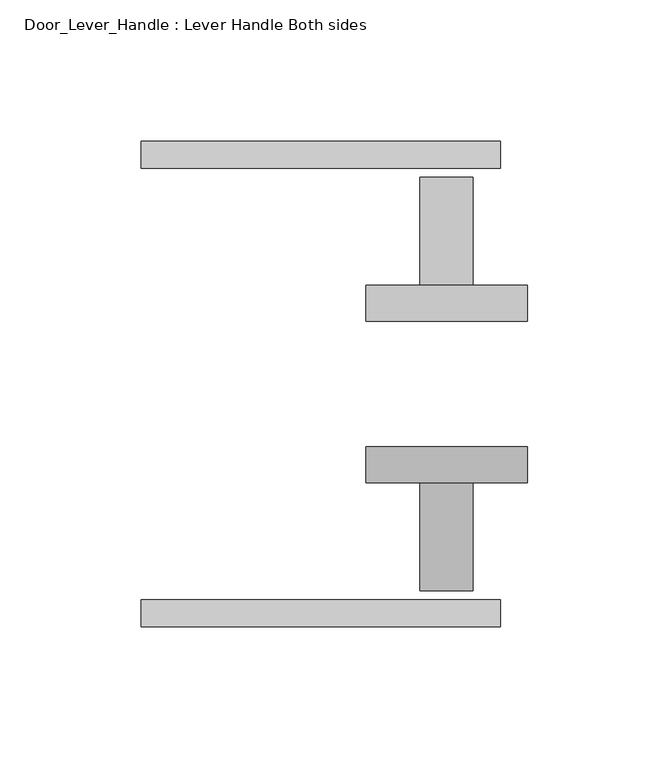
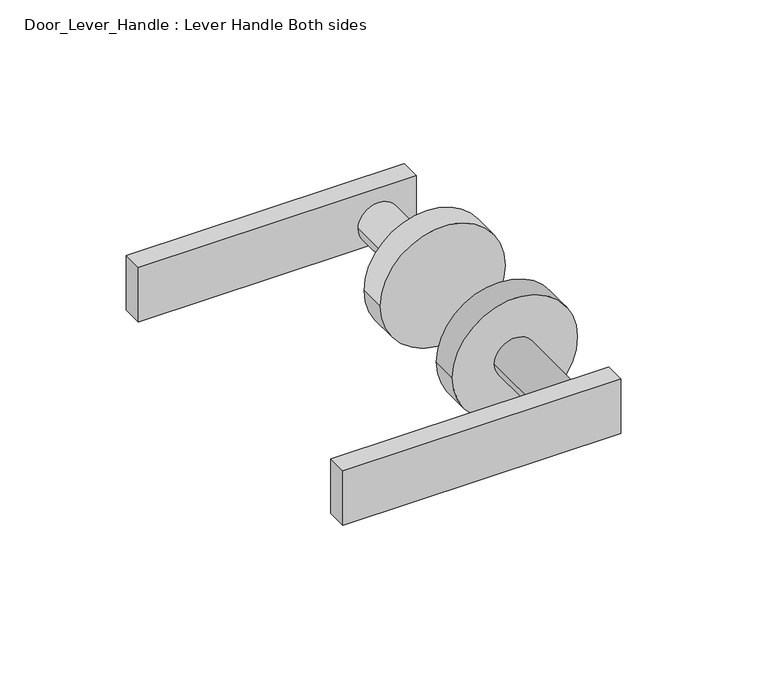
"""IFC4 building model written with IfcOpenShell, lengths in millimetres: proxy geometry, Door_Lever_Handle : Lever Handle Both sides."""

from ifc_helpers import new_model, si_unit, point, frame, frame_2d, origin, place, context, project, spatial, polyline, circle_curve, trimmed, segment, composite_curve, outline, extrude, source, transform, mapped, element, save


def door_lever_handle_lever_handle_both_sides_1eba286c(model_context):
    return source(origin(), model_context, "Body", "SweptSolid", [
        extrude(outline(polyline([(46.2154449, 53.975), (-80.7845551, 53.975), (-80.7845551, 63.5), (46.2154449, 63.5), (46.2154449, 53.975)])), frame((0.0, 0.0, -12.6057886), z_axis=(0.0, 0.0, 1.0), x_axis=(1.0, 0.0, 0.0)), (0.0, 0.0, 1.0), 26.3430572),
        extrude(outline(polyline([(-80.7845551, -98.425), (46.2154449, -98.425), (46.2154449, -107.95), (-80.7845551, -107.95), (-80.7845551, -98.425)])), frame((0.0, 0.0, -12.6057886), z_axis=(0.0, 0.0, 1.0), x_axis=(1.0, 0.0, 0.0)), (0.0, 0.0, 1.0), 26.3430572),
        extrude(outline(composite_curve([segment(trimmed(circle_curve(frame_2d((0.0, 27.1654449)), 9.3846309), [point((0.0, 36.5500758))], [point((0.0, 17.780814))], False, "CARTESIAN"), True, "CONTINUOUS"), segment(trimmed(circle_curve(frame_2d((0.0, 27.1654449)), 9.3846309), [point((0.0, 17.780814))], [point((0.0, 36.5500758))], False, "CARTESIAN"), True, "CONTINUOUS")], self_intersect=False)), frame((0.0, -95.25, 0.0), z_axis=(0.0, 1.0, 0.0), x_axis=(0.0, 0.0, 1.0)), (0.0, 0.0, 1.0), 38.1),
        extrude(outline(composite_curve([segment(trimmed(circle_curve(frame_2d((0.0, 27.1654449)), 28.575), [point((0.0, 55.7404449))], [point((0.0, -1.4095551))], False, "CARTESIAN"), True, "CONTINUOUS"), segment(trimmed(circle_curve(frame_2d((0.0, 27.1654449)), 28.575), [point((0.0, -1.4095551))], [point((0.0, 55.7404449))], False, "CARTESIAN"), True, "CONTINUOUS")], self_intersect=False)), frame((0.0, -57.15, 0.0), z_axis=(0.0, 1.0, 0.0), x_axis=(0.0, 0.0, 1.0)), (0.0, 0.0, 1.0), 12.7),
        extrude(outline(composite_curve([segment(trimmed(circle_curve(frame_2d((0.0, 27.1654449)), 9.3846309), [point((0.0, 17.780814))], [point((0.0, 36.5500758))], False, "CARTESIAN"), True, "CONTINUOUS"), segment(trimmed(circle_curve(frame_2d((0.0, 27.1654449)), 9.3846309), [point((0.0, 36.5500758))], [point((0.0, 17.780814))], False, "CARTESIAN"), True, "CONTINUOUS")], self_intersect=False)), frame((0.0, 12.7, 0.0), z_axis=(0.0, 1.0, 0.0), x_axis=(0.0, 0.0, 1.0)), (0.0, 0.0, 1.0), 38.1),
        extrude(outline(composite_curve([segment(trimmed(circle_curve(frame_2d((0.0, 27.1654449)), 28.575), [point((0.0, -1.4095551))], [point((0.0, 55.7404449))], False, "CARTESIAN"), True, "CONTINUOUS"), segment(trimmed(circle_curve(frame_2d((0.0, 27.1654449)), 28.575), [point((0.0, 55.7404449))], [point((0.0, -1.4095551))], False, "CARTESIAN"), True, "CONTINUOUS")], self_intersect=False)), frame((0.0, 0.0, 0.0), z_axis=(0.0, 1.0, 0.0), x_axis=(0.0, 0.0, 1.0)), (0.0, 0.0, 1.0), 12.7),
    ])


if __name__ == "__main__":
    model = new_model("IFC4")
    model_context = context("Model", 3, world=origin())
    ifc_project = project(units=[si_unit("LENGTHUNIT", "METRE", prefix="MILLI")], contexts=[model_context])
    site = spatial("IfcSite", under=ifc_project)
    building = spatial("IfcBuilding", under=site)
    placement = place(None, origin())
    door_lever_handle_lever_handle_both_sides_shape = door_lever_handle_lever_handle_both_sides_1eba286c(model_context)
    element("IfcBuildingElementProxy", 1, Name="Door_Lever_Handle : Lever Handle Both sides", ObjectType="Door_Lever_Handle : Lever Handle Both sides", at=placement, inside=building, context=model_context, shape_type="MappedRepresentation", body=[
        mapped(door_lever_handle_lever_handle_both_sides_shape, transform((0.0, 0.0, 0.0), x_axis=(1.0, 0.0, 0.0), y_axis=(0.0, 1.0, 0.0), z_axis=(0.0, 0.0, 1.0))),
    ])
    save(model, "model.ifc")
